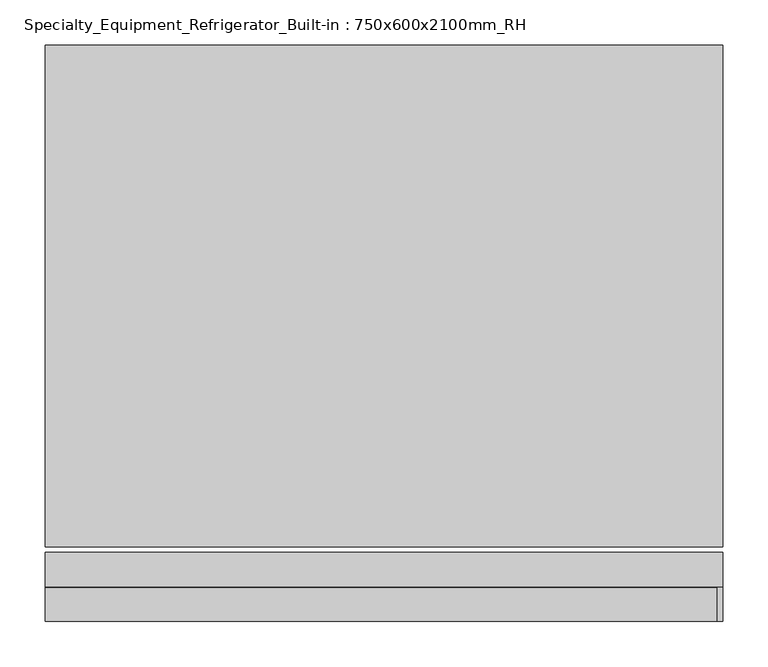
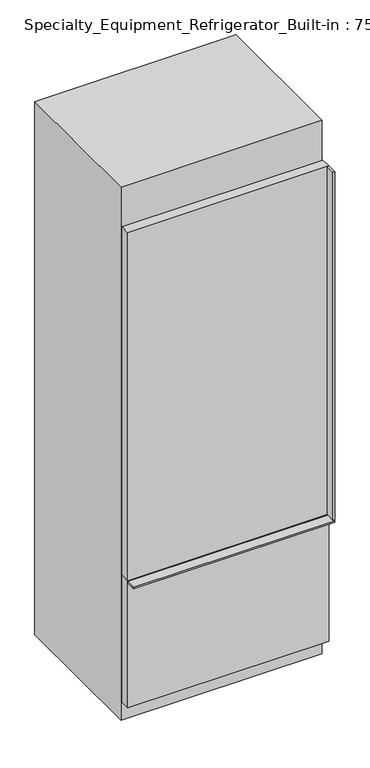
"""IFC4 building model written with IfcOpenShell, lengths in millimetres: proxy geometry, Specialty_Equipment_Refrigerator_Built-in : 750x600x2100mm_RH."""

from ifc_helpers import new_model, si_unit, frame, origin, origin_with_axes, place, context, project, spatial, polyline, outline, extrude, source, transform, mapped, element, save


def specialty_equipment_refrigerator_built_in_750x600x2100mm_rh_16a3dacf(model_context):
    return source(origin(), model_context, "Body", "SweptSolid", [
        extrude(outline(polyline([(375.0, -276.5760285), (375.0, -314.6760285), (-375.0, -314.6760285), (-375.0, -276.5760285), (375.0, -276.5760285)])), frame((0.0, 0.0, 76.2), z_axis=(0.0, 0.0, 1.0), x_axis=(1.0, 0.0, 0.0)), (0.0, 0.0, 1.0), 498.2125),
        extrude(outline(polyline([(375.0, -276.5760285), (375.0, -314.6760285), (-375.0, -314.6760285), (-375.0, -276.5760285), (375.0, -276.5760285)])), frame((0.0, 0.0, 577.5875), z_axis=(0.0, 0.0, 1.0), x_axis=(1.0, 0.0, 0.0)), (0.0, 0.0, 1.0), 1370.0125),
        extrude(outline(polyline([(375.0, 285.3239715), (375.0, -270.2260285), (-375.0, -270.2260285), (-375.0, 285.3239715), (375.0, 285.3239715)])), origin_with_axes(), (0.0, 0.0, 1.0), 2100.0),
        extrude(outline(polyline([(368.65, -314.6760285), (375.0, -314.6760285), (375.0, -352.7760285), (368.65, -352.7760285), (368.65, -314.6760285)])), frame((0.0, 0.0, 577.5875), z_axis=(0.0, 0.0, 1.0), x_axis=(1.0, 0.0, 0.0)), (0.0, 0.0, 1.0), 1370.0125),
        extrude(outline(polyline([(375.0, -314.6760285), (375.0, -352.7760285), (-375.0, -352.7760285), (-375.0, -314.6760285), (375.0, -314.6760285)])), frame((0.0, 0.0, 568.0625), z_axis=(0.0, 0.0, 1.0), x_axis=(1.0, 0.0, 0.0)), (0.0, 0.0, 1.0), 6.35),
    ])


if __name__ == "__main__":
    model = new_model("IFC4")
    model_context = context("Model", 3, world=origin())
    ifc_project = project(units=[si_unit("LENGTHUNIT", "METRE", prefix="MILLI")], contexts=[model_context])
    site = spatial("IfcSite", under=ifc_project)
    building = spatial("IfcBuilding", under=site)
    placement = place(None, origin())
    specialty_equipment_refrigerator_built_in_750x600x2100mm_rh_shape = specialty_equipment_refrigerator_built_in_750x600x2100mm_rh_16a3dacf(model_context)
    element("IfcBuildingElementProxy", 1, Name="Specialty_Equipment_Refrigerator_Built-in : 750x600x2100mm_RH", ObjectType="Specialty_Equipment_Refrigerator_Built-in : 750x600x2100mm_RH", at=placement, inside=building, context=model_context, shape_type="MappedRepresentation", body=[
        mapped(specialty_equipment_refrigerator_built_in_750x600x2100mm_rh_shape, transform((0.0, 0.0, 0.0), x_axis=(1.0, 0.0, 0.0), y_axis=(0.0, 1.0, 0.0), z_axis=(0.0, 0.0, 1.0))),
    ])
    save(model, "model.ifc")
